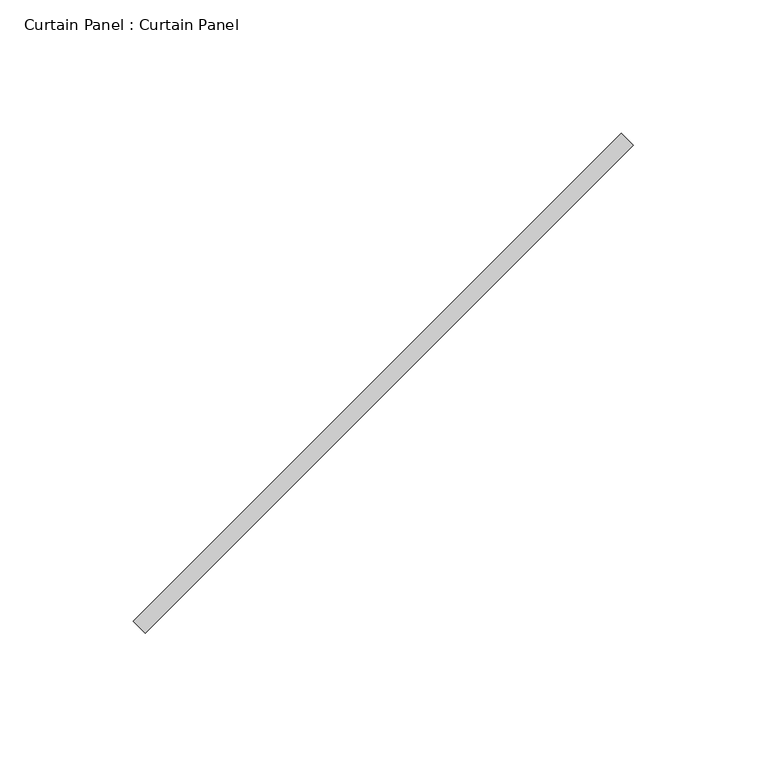
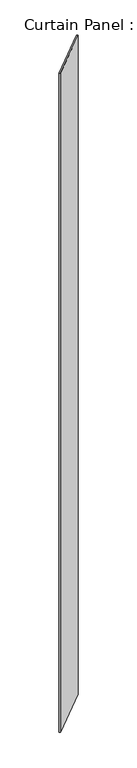
"""IFC4 building model written with IfcOpenShell, lengths in millimetres: plate geometry, Curtain Panel : Curtain Panel."""

from ifc_helpers import new_model, si_unit, origin, origin_with_axes, place, context, project, spatial, polyline, outline, extrude, source, transform, mapped, element, save


def curtain_panel_curtain_panel_cd261641(model_context):
    return source(origin(), model_context, "Body", "SweptSolid", [
        extrude(outline(polyline([(347071.7477029, 1730.7468041), (346888.7749844, 1547.7740856), (346884.2848564, 1552.2642137), (347067.2575748, 1735.2369322), (347071.7477029, 1730.7468041)])), origin_with_axes(), (0.0, 0.0, 1.0), 3048.0),
    ])


if __name__ == "__main__":
    model = new_model("IFC4")
    model_context = context("Model", 3, world=origin())
    ifc_project = project(units=[si_unit("LENGTHUNIT", "METRE", prefix="MILLI")], contexts=[model_context])
    site = spatial("IfcSite", under=ifc_project)
    building = spatial("IfcBuilding", under=site)
    placement = place(None, origin())
    curtain_panel_curtain_panel_shape = curtain_panel_curtain_panel_cd261641(model_context)
    element("IfcPlate", 1, ObjectType="Curtain Panel : Curtain Panel", at=placement, inside=building, context=model_context, shape_type="MappedRepresentation", body=[
        mapped(curtain_panel_curtain_panel_shape, transform((0.0, 0.0, 0.0), x_axis=(1.0, 0.0, 0.0), y_axis=(0.0, 1.0, 0.0), z_axis=(0.0, 0.0, 1.0))),
    ])
    save(model, "model.ifc")
